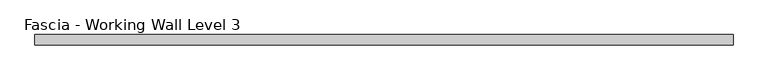
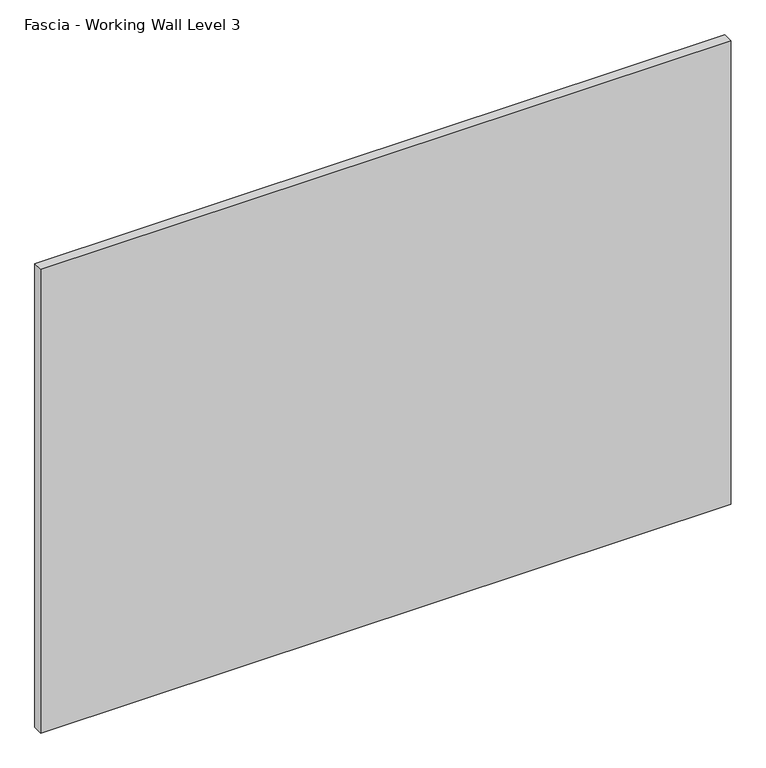
"""IFC4 building model written with IfcOpenShell, lengths in millimetres: proxy geometry, Fascia - Working Wall Level 3."""

from ifc_helpers import new_model, si_unit, origin, origin_with_axes, place, context, project, spatial, polyline, outline, extrude, source, transform, mapped, element, save


def fascia_working_wall_level_3_cb4cd415(model_context):
    return source(origin(), model_context, "Body", "SweptSolid", [
        extrude(outline(polyline([(-683.4234381, -24.22678), (-683.4234381, -6.75158), (521.8708632, -6.75158), (521.8708632, -24.22678), (-683.4234381, -24.22678)])), origin_with_axes(), (0.0, 0.0, 1.0), 855.9484),
    ])


if __name__ == "__main__":
    model = new_model("IFC4")
    model_context = context("Model", 3, world=origin())
    ifc_project = project(units=[si_unit("LENGTHUNIT", "METRE", prefix="MILLI")], contexts=[model_context])
    site = spatial("IfcSite", under=ifc_project)
    building = spatial("IfcBuilding", under=site)
    placement = place(None, origin())
    fascia_working_wall_level_3_shape = fascia_working_wall_level_3_cb4cd415(model_context)
    element("IfcBuildingElementProxy", 1, Name="Fascia - Working Wall Level 3", ObjectType="Fascia - Working Wall Level 3", at=placement, inside=building, context=model_context, shape_type="MappedRepresentation", body=[
        mapped(fascia_working_wall_level_3_shape, transform((0.0, 0.0, 0.0), x_axis=(1.0, 0.0, 0.0), y_axis=(0.0, 1.0, 0.0), z_axis=(0.0, 0.0, 1.0))),
    ])
    save(model, "model.ifc")
